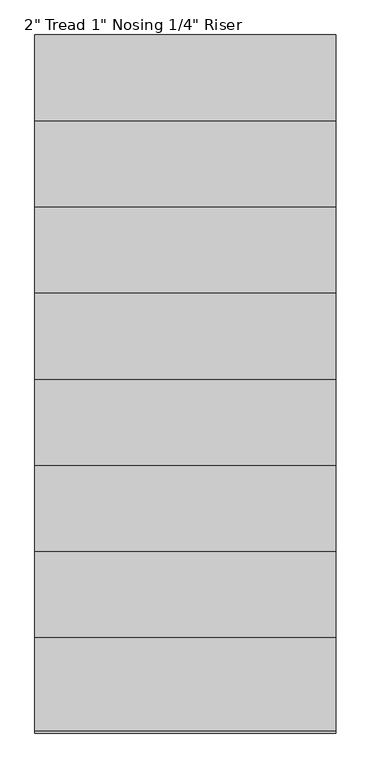
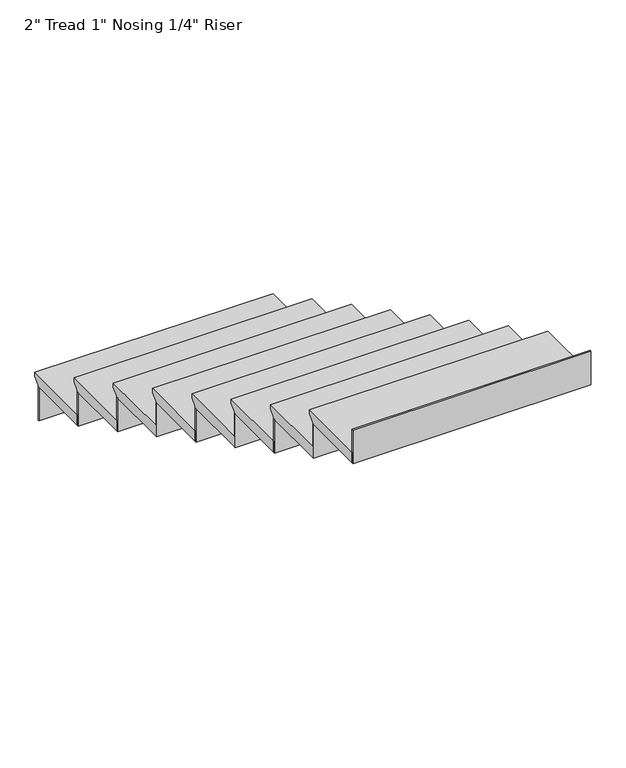
"""IFC4 building model written with IfcOpenShell, lengths in millimetres: stair flight geometry."""

import ifcopenshell
import ifcopenshell.guid

model = None  # the IFC model being written
_history = None  # IfcOwnerHistory: only IFC2X3 demands one
_inside = {}  # id of a spatial element -> (the spatial element, [elements in it])
_under = {}  # id of a project, library or spatial element -> (it, [spatial elements below it])
_declared = {}  # id of a project -> (the project, [libraries it declares])
_typed = {}  # id of a type object -> (the type object, [elements of that type])
_made_of = {}  # id of a material, layer set ... -> (it, [elements and type objects made of it])


def new_model(schema):
    """Start an empty IFC model of exactly this schema.

    Asked for "IFC4X3", IfcOpenShell would pick the latest addendum, in which some entities
    have other attributes; the version numbers below select the first issue.
    IFC2X3 requires an IfcOwnerHistory on every rooted entity: one is made here for all.
    """
    global model, _history
    if schema == "IFC4X3":
        model = ifcopenshell.file(schema_version=(4, 3, 0, 0))
    else:
        model = ifcopenshell.file(schema=schema)
    _inside.clear()
    _under.clear()
    _declared.clear()
    _typed.clear()
    _made_of.clear()
    _history = None
    if model.schema == "IFC2X3":
        org = make("IfcOrganization", Name="unknown")
        user = make(
            "IfcPersonAndOrganization",
            ThePerson=make("IfcPerson", FamilyName="unknown"),
            TheOrganization=org,
        )
        app = make(
            "IfcApplication",
            ApplicationDeveloper=org,
            Version="unknown",
            ApplicationFullName="unknown",
            ApplicationIdentifier="unknown",
        )
        _history = make(
            "IfcOwnerHistory",
            OwningUser=user,
            OwningApplication=app,
            ChangeAction="ADDED",
            CreationDate=0,
        )
    return model


def make(cls, **values):
    """One entity of the class cls with the attributes given. An attribute that is None is left unset."""
    return model.create_entity(
        cls, **{name: value for name, value in values.items() if value is not None}
    )


def rooted(cls, **values):
    """An entity with a GlobalId (a new one), such as an element, a storey or a relation."""
    return make(cls, GlobalId=ifcopenshell.guid.new(), OwnerHistory=_history, **values)


def si_unit(unit_type, name, prefix=None):
    """IfcSIUnit, for example si_unit("LENGTHUNIT", "METRE", prefix="MILLI")."""
    return make("IfcSIUnit", UnitType=unit_type, Prefix=prefix, Name=name)


def assignment(units):
    """IfcUnitAssignment: the units of a project."""
    return None if units is None else make("IfcUnitAssignment", Units=units)


def point(xyz):
    """IfcCartesianPoint."""
    return None if xyz is None else make("IfcCartesianPoint", Coordinates=xyz)


def direction(xyz):
    """IfcDirection."""
    return None if xyz is None else make("IfcDirection", DirectionRatios=xyz)


def frame(location, z_axis=None, x_axis=None):
    """IfcAxis2Placement3D, a coordinate frame: its origin and axes. An axis left out is left unset."""
    return make(
        "IfcAxis2Placement3D",
        Location=point(location),
        Axis=direction(z_axis),
        RefDirection=direction(x_axis),
    )


def origin():
    """The frame at (0, 0, 0) with its axes left unset."""
    return frame((0.0, 0.0, 0.0))


def place(relative_to, where):
    """IfcLocalPlacement: puts the frame where relative to a parent placement (None: the world)."""
    return make(
        "IfcLocalPlacement", PlacementRelTo=relative_to, RelativePlacement=where
    )


def context(
    kind, dimensions, precision=None, world=None, true_north=None, identifier=None
):
    """IfcGeometricRepresentationContext, for example the 3D "Model" context."""
    return make(
        "IfcGeometricRepresentationContext",
        ContextIdentifier=identifier,
        ContextType=kind,
        CoordinateSpaceDimension=dimensions,
        Precision=precision,
        WorldCoordinateSystem=world,
        TrueNorth=true_north,
    )


def project(units=None, contexts=None):
    """IfcProject with its units and contexts."""
    return rooted(
        "IfcProject",
        Name="project",
        RepresentationContexts=contexts,
        UnitsInContext=assignment(units),
    )


def spatial(cls, under=None, at=None, **own):
    """A site, building, storey or space (cls), placed at a placement, below another one or the project."""
    s = rooted(cls, ObjectPlacement=at, **own)
    if under is not None:
        _under.setdefault(under.id(), (under, []))[1].append(s)
    return s


def polyline(points):
    """IfcPolyline through the points."""
    return make("IfcPolyline", Points=[point(p) for p in points])


def outline(outer, holes=None, kind="AREA"):
    """IfcArbitraryClosedProfileDef: a profile drawn as a closed curve; with holes, ...WithVoids."""
    if holes is None:
        return make("IfcArbitraryClosedProfileDef", ProfileType=kind, OuterCurve=outer)
    return make(
        "IfcArbitraryProfileDefWithVoids",
        ProfileType=kind,
        OuterCurve=outer,
        InnerCurves=holes,
    )


def extrude(swept, where, along, depth):
    """IfcExtrudedAreaSolid: the profile swept, set in the frame where, extruded along a direction by depth."""
    return make(
        "IfcExtrudedAreaSolid",
        SweptArea=swept,
        Position=where,
        ExtrudedDirection=direction(along),
        Depth=depth,
    )


def shape(context_of_items, identifier, shape_type, items):
    """IfcShapeRepresentation: the items that make up one representation, for example the "Body"."""
    return make(
        "IfcShapeRepresentation",
        ContextOfItems=context_of_items,
        RepresentationIdentifier=identifier,
        RepresentationType=shape_type,
        Items=items,
    )


def source(mapping_origin, context_of_items, identifier, shape_type, items):
    """IfcRepresentationMap: a shape defined once, which mapped items show again and again."""
    return make(
        "IfcRepresentationMap",
        MappingOrigin=mapping_origin,
        MappedRepresentation=shape(context_of_items, identifier, shape_type, items),
    )


def transform(
    local_origin,
    x_axis=None,
    y_axis=None,
    z_axis=None,
    scale=None,
    scale2=None,
    scale3=None,
    uniform=True,
):
    """IfcCartesianTransformationOperator3D, or its non-uniform kind. x_axis, y_axis, z_axis: its Axis1, 2, 3."""
    if uniform:
        return make(
            "IfcCartesianTransformationOperator3D",
            Axis1=direction(x_axis),
            Axis2=direction(y_axis),
            LocalOrigin=point(local_origin),
            Scale=scale,
            Axis3=direction(z_axis),
        )
    return make(
        "IfcCartesianTransformationOperator3DnonUniform",
        Axis1=direction(x_axis),
        Axis2=direction(y_axis),
        LocalOrigin=point(local_origin),
        Scale=scale,
        Axis3=direction(z_axis),
        Scale2=scale2,
        Scale3=scale3,
    )


def mapped(mapping_source, mapping_target):
    """IfcMappedItem: shows the shape of a source again, moved by a transform."""
    return make(
        "IfcMappedItem", MappingSource=mapping_source, MappingTarget=mapping_target
    )


def made_of(thing, what):
    """Note that an element or type object is made of a material, layer set ...; save() writes the relation."""
    if what is not None:
        _made_of.setdefault(what.id(), (what, []))[1].append(thing)
    return thing


def element(
    cls,
    number,
    at=None,
    inside=None,
    cuts=None,
    type_object=None,
    material=None,
    context=None,
    identifier="Body",
    shape_type=None,
    held_by="IfcProductDefinitionShape",
    body=None,
    shapes=None,
    **own,
):
    """One element of the class cls, such as IfcWall. Its Tag is "e" and its number.

    at: its placement. inside: the storey or other place that contains it. cuts: it is an
    opening in that element (IfcRelVoidsElement). A single representation is given by context,
    identifier, shape_type and body (its items); several are given by shapes. held_by: the class
    of the entity that holds the representations. save() writes the other relations.
    """
    e = rooted(cls, Tag="e%d" % number, ObjectPlacement=at, **own)
    if body is not None:
        shapes = [shape(context, identifier, shape_type, body)]
    if shapes is not None:
        e.Representation = make(held_by, Representations=shapes)
    if inside is not None:
        _inside.setdefault(inside.id(), (inside, []))[1].append(e)
    if cuts is not None:
        rooted(
            "IfcRelVoidsElement", RelatingBuildingElement=cuts, RelatedOpeningElement=e
        )
    if type_object is not None:
        _typed.setdefault(type_object.id(), (type_object, []))[1].append(e)
    return made_of(e, material)


def aggregate(whole, parts):
    """IfcRelAggregates: a whole, such as a stair, and the parts it consists of."""
    return rooted("IfcRelAggregates", RelatingObject=whole, RelatedObjects=parts)


def save(model, path):
    """Write the relations noted so far, then the file.

    IfcRelAggregates (storeys below a building ...), IfcRelContainedInSpatialStructure (elements
    in a storey), IfcRelDefinesByType, IfcRelAssociatesMaterial and IfcRelDeclares: one each for
    every whole, place, type object, material and project.
    """
    for whole, parts in _under.values():
        aggregate(whole, parts)
    for where, things in _inside.values():
        rooted(
            "IfcRelContainedInSpatialStructure",
            RelatedElements=things,
            RelatingStructure=where,
        )
    for kind, things in _typed.values():
        rooted("IfcRelDefinesByType", RelatedObjects=things, RelatingType=kind)
    for what, things in _made_of.values():
        rooted("IfcRelAssociatesMaterial", RelatedObjects=things, RelatingMaterial=what)
    for by, libraries in _declared.values():
        rooted("IfcRelDeclares", RelatingContext=by, RelatedDefinitions=libraries)
    model.write(path)


def stair_flight_1e730f6c(model_context):
    return source(origin(), model_context, "Body", "SweptSolid", [
        extrude(outline(polyline([(-12375.3796278, 1594.5555556), (-12045.1796278, 1594.5555556), (-12045.1796278, 1575.5055556), (-12070.5796278, 1550.1055556), (-12070.5796278, 1543.7555556), (-12375.3796278, 1543.7555556), (-12375.3796278, 1594.5555556)])), frame((26324.3688569, 0.0, 0.0), z_axis=(1.0, 0.0, 0.0), x_axis=(0.0, 1.0, 0.0)), (0.0, 0.0, 1.0), 1066.8),
        extrude(outline(polyline([(26324.3688569, -12076.9296278), (26324.3688569, -12070.5796278), (27391.1688569, -12070.5796278), (27391.1688569, -12076.9296278), (26324.3688569, -12076.9296278)])), frame((0.0, 0.0, 1384.3), z_axis=(0.0, 0.0, 1.0), x_axis=(1.0, 0.0, 0.0)), (0.0, 0.0, 1.0), 159.4555556),
        extrude(outline(polyline([(26324.3688569, -12381.7296278), (26324.3688569, -12375.3796278), (27391.1688569, -12375.3796278), (27391.1688569, -12381.7296278), (26324.3688569, -12381.7296278)])), frame((0.0, 0.0, 1543.7555556), z_axis=(0.0, 0.0, 1.0), x_axis=(1.0, 0.0, 0.0)), (0.0, 0.0, 1.0), 159.4555556),
        extrude(outline(polyline([(-12680.1796278, 1754.0111111), (-12349.9796278, 1754.0111111), (-12349.9796278, 1734.9611111), (-12375.3796278, 1709.5611111), (-12375.3796278, 1703.2111111), (-12680.1796278, 1703.2111111), (-12680.1796278, 1754.0111111)])), frame((26324.3688569, 0.0, 0.0), z_axis=(1.0, 0.0, 0.0), x_axis=(0.0, 1.0, 0.0)), (0.0, 0.0, 1.0), 1066.8),
        extrude(outline(polyline([(26324.3688569, -12686.5296278), (26324.3688569, -12680.1796278), (27391.1688569, -12680.1796278), (27391.1688569, -12686.5296278), (26324.3688569, -12686.5296278)])), frame((0.0, 0.0, 1703.2111111), z_axis=(0.0, 0.0, 1.0), x_axis=(1.0, 0.0, 0.0)), (0.0, 0.0, 1.0), 159.4555556),
        extrude(outline(polyline([(-12984.9796278, 1913.4666667), (-12654.7796278, 1913.4666667), (-12654.7796278, 1894.4166667), (-12680.1796278, 1869.0166667), (-12680.1796278, 1862.6666667), (-12984.9796278, 1862.6666667), (-12984.9796278, 1913.4666667)])), frame((26324.3688569, 0.0, 0.0), z_axis=(1.0, 0.0, 0.0), x_axis=(0.0, 1.0, 0.0)), (0.0, 0.0, 1.0), 1066.8),
        extrude(outline(polyline([(26324.3688569, -12991.3296278), (26324.3688569, -12984.9796278), (27391.1688569, -12984.9796278), (27391.1688569, -12991.3296278), (26324.3688569, -12991.3296278)])), frame((0.0, 0.0, 1862.6666667), z_axis=(0.0, 0.0, 1.0), x_axis=(1.0, 0.0, 0.0)), (0.0, 0.0, 1.0), 159.4555556),
        extrude(outline(polyline([(-13289.7796278, 2072.9222222), (-12959.5796278, 2072.9222222), (-12959.5796278, 2053.8722222), (-12984.9796278, 2028.4722222), (-12984.9796278, 2022.1222222), (-13289.7796278, 2022.1222222), (-13289.7796278, 2072.9222222)])), frame((26324.3688569, 0.0, 0.0), z_axis=(1.0, 0.0, 0.0), x_axis=(0.0, 1.0, 0.0)), (0.0, 0.0, 1.0), 1066.8),
        extrude(outline(polyline([(26324.3688569, -13296.1296278), (26324.3688569, -13289.7796278), (27391.1688569, -13289.7796278), (27391.1688569, -13296.1296278), (26324.3688569, -13296.1296278)])), frame((0.0, 0.0, 2022.1222222), z_axis=(0.0, 0.0, 1.0), x_axis=(1.0, 0.0, 0.0)), (0.0, 0.0, 1.0), 159.4555556),
        extrude(outline(polyline([(-13594.5796278, 2232.3777778), (-13264.3796278, 2232.3777778), (-13264.3796278, 2213.3277778), (-13289.7796278, 2187.9277778), (-13289.7796278, 2181.5777778), (-13594.5796278, 2181.5777778), (-13594.5796278, 2232.3777778)])), frame((26324.3688569, 0.0, 0.0), z_axis=(1.0, 0.0, 0.0), x_axis=(0.0, 1.0, 0.0)), (0.0, 0.0, 1.0), 1066.8),
        extrude(outline(polyline([(26324.3688569, -13600.9296278), (26324.3688569, -13594.5796278), (27391.1688569, -13594.5796278), (27391.1688569, -13600.9296278), (26324.3688569, -13600.9296278)])), frame((0.0, 0.0, 2181.5777778), z_axis=(0.0, 0.0, 1.0), x_axis=(1.0, 0.0, 0.0)), (0.0, 0.0, 1.0), 159.4555556),
        extrude(outline(polyline([(-13899.3796278, 2391.8333333), (-13569.1796278, 2391.8333333), (-13569.1796278, 2372.7833333), (-13594.5796278, 2347.3833333), (-13594.5796278, 2341.0333333), (-13899.3796278, 2341.0333333), (-13899.3796278, 2391.8333333)])), frame((26324.3688569, 0.0, 0.0), z_axis=(1.0, 0.0, 0.0), x_axis=(0.0, 1.0, 0.0)), (0.0, 0.0, 1.0), 1066.8),
        extrude(outline(polyline([(26324.3688569, -13905.7296278), (26324.3688569, -13899.3796278), (27391.1688569, -13899.3796278), (27391.1688569, -13905.7296278), (26324.3688569, -13905.7296278)])), frame((0.0, 0.0, 2341.0333333), z_axis=(0.0, 0.0, 1.0), x_axis=(1.0, 0.0, 0.0)), (0.0, 0.0, 1.0), 159.4555556),
        extrude(outline(polyline([(-14204.1796278, 2551.2888889), (-13873.9796278, 2551.2888889), (-13873.9796278, 2532.2388889), (-13899.3796278, 2506.8388889), (-13899.3796278, 2500.4888889), (-14204.1796278, 2500.4888889), (-14204.1796278, 2551.2888889)])), frame((26324.3688569, 0.0, 0.0), z_axis=(1.0, 0.0, 0.0), x_axis=(0.0, 1.0, 0.0)), (0.0, 0.0, 1.0), 1066.8),
        extrude(outline(polyline([(26324.3688569, -14210.5296278), (26324.3688569, -14204.1796278), (27391.1688569, -14204.1796278), (27391.1688569, -14210.5296278), (26324.3688569, -14210.5296278)])), frame((0.0, 0.0, 2500.4888889), z_axis=(0.0, 0.0, 1.0), x_axis=(1.0, 0.0, 0.0)), (0.0, 0.0, 1.0), 159.4555556),
        extrude(outline(polyline([(26324.3688569, -14515.3296278), (26324.3688569, -14508.9796278), (27391.1688569, -14508.9796278), (27391.1688569, -14515.3296278), (26324.3688569, -14515.3296278)])), frame((0.0, 0.0, 2659.9444444), z_axis=(0.0, 0.0, 1.0), x_axis=(1.0, 0.0, 0.0)), (0.0, 0.0, 1.0), 159.4555556),
        extrude(outline(polyline([(-14508.9796278, 2710.7444444), (-14178.7796278, 2710.7444444), (-14178.7796278, 2691.6944444), (-14204.1796278, 2666.2944444), (-14204.1796278, 2659.9444444), (-14508.9796278, 2659.9444444), (-14508.9796278, 2710.7444444)])), frame((26324.3688569, 0.0, 0.0), z_axis=(1.0, 0.0, 0.0), x_axis=(0.0, 1.0, 0.0)), (0.0, 0.0, 1.0), 1066.8),
    ])


if __name__ == "__main__":
    model = new_model("IFC4")
    model_context = context("Model", 3, world=origin())
    ifc_project = project(units=[si_unit("LENGTHUNIT", "METRE", prefix="MILLI")], contexts=[model_context])
    site = spatial("IfcSite", under=ifc_project)
    building = spatial("IfcBuilding", under=site)
    placement = place(None, origin())
    stair_flight_shape = stair_flight_1e730f6c(model_context)
    element("IfcStairFlight", 1, ObjectType="2\" Tread 1\" Nosing 1/4\" Riser", at=placement, inside=building, context=model_context, shape_type="MappedRepresentation", body=[
        mapped(stair_flight_shape, transform((0.0, 0.0, 0.0), x_axis=(1.0, 0.0, 0.0), y_axis=(0.0, 1.0, 0.0), z_axis=(0.0, 0.0, 1.0))),
    ])
    save(model, "model.ifc")
